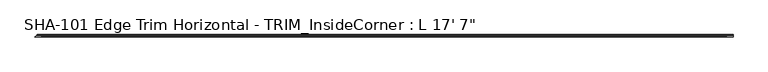
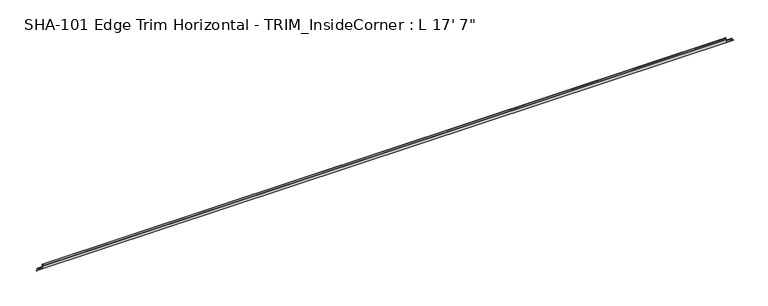
"""IFC4 building model written with IfcOpenShell, lengths in millimetres: proxy geometry."""

from ifc_helpers import new_model, si_unit, frame, origin, place, context, project, spatial, polyline, circle_curve, ellipse_curve, source, transform, mapped, element, save
from ifc_brep_helpers import plane_surface, cylinder_surface, revolved_surface, advanced_brep


def proxy_ee5e0a46(model_context):
    return source(origin(), model_context, "Body", "AdvancedBrep", [
        advanced_brep(
        [(5359.4, -7.0200081, 1.5748), (5359.4, -19.7327081, 1.5748), (5359.4, -19.7327081, 0.0), (5359.4, -0.79375, 0.0), (5359.4, -0.79375, 1.5748), (5359.4, -3.8704081, 1.5748), (5308.6, -19.7327081, 1.5748), (5308.6, -19.7327081, 19.0246), (50.8, -19.7327081, 19.0246), (50.8, -19.7327081, 1.5748), (0.0, -19.7327081, 1.5748), (0.0, -19.7327081, 0.0), (5308.6, -14.3400511, 19.0246), (50.8, -14.3400511, 19.0246), (5308.6, -12.5290774, 29.6006869), (50.8, -12.5290774, 29.6006869), (5308.6, -11.4003846, 30.0600848), (5308.6, -10.2077081, 29.5346031), (50.8, -10.2077081, 29.5346031), (50.8, -11.4003846, 30.0600848), (5308.6, -10.2077081, 17.4498), (50.8, -10.2077081, 17.4498), (5308.6, -16.8879081, 17.4498), (50.8, -16.8879081, 17.4498), (5308.6, -18.1579081, 16.1798), (50.8, -18.1579081, 16.1798), (5308.6, -18.1579081, 1.5748), (50.8, -18.1579081, 1.5748), (12.7127, -7.0200081, 1.5748), (15.8623, -3.8704081, 1.5748), (18.9389581, -0.79375, 1.5748), (18.9389581, -0.79375, 0.0)],
        [
            (0, 1),
            (1, 2),
            (2, 3),
            (3, 4),
            (4, 5),
            (5, 0, circle_curve(frame((5359.4, -5.4452081, 1.5748), z_axis=(1.0, 0.0, 0.0), x_axis=(0.0, -1.0, 0.0)), 1.5748)),
            (1, 6),
            (6, 7),
            (7, 8),
            (8, 9),
            (9, 10),
            (10, 11),
            (11, 2),
            (7, 12),
            (12, 13),
            (13, 8),
            (12, 14),
            (14, 15),
            (15, 13),
            (14, 16, circle_curve(frame((5308.6, -11.4003846, 28.4438454), z_axis=(-1.0, 0.0, 0.0), x_axis=(0.0, -1.0, 0.0)), 1.6162393)),
            (16, 17, circle_curve(frame((5308.6, -11.4003846, 28.4438454), z_axis=(-1.0, 0.0, 0.0), x_axis=(0.0, -1.0, 0.0)), 1.6162393)),
            (17, 18),
            (18, 19, circle_curve(frame((50.8, -11.4003846, 28.4438454), z_axis=(1.0, 0.0, 0.0), x_axis=(0.0, -1.0, 0.0)), 1.6162393)),
            (19, 15, circle_curve(frame((50.8, -11.4003846, 28.4438454), z_axis=(1.0, 0.0, 0.0), x_axis=(0.0, -1.0, 0.0)), 1.6162393)),
            (17, 20),
            (20, 21),
            (21, 18),
            (20, 22),
            (22, 23),
            (23, 21),
            (22, 24, circle_curve(frame((5308.6, -16.8879081, 16.1798), z_axis=(1.0, 0.0, 0.0), x_axis=(0.0, -1.0, 0.0)), 1.27)),
            (24, 25),
            (25, 23, circle_curve(frame((50.8, -16.8879081, 16.1798), z_axis=(-1.0, 0.0, 0.0), x_axis=(0.0, -1.0, 0.0)), 1.27)),
            (24, 26),
            (26, 27),
            (27, 25),
            (0, 28),
            (28, 10),
            (9, 27),
            (26, 6),
            (5, 29),
            (29, 28, ellipse_curve(frame((14.2875, -5.4452081, 1.5748), z_axis=(0.707106781186549, -0.707106781186546, 0.0), x_axis=(0.707106781186546, 0.707106781186549, 0.0)), 2.2271035, 1.5748)),
            (4, 30),
            (30, 29),
            (3, 31),
            (31, 30),
            (11, 31),
        ],
        [
            plane_surface(frame((5359.4, -19.7327081, 19.0246), z_axis=(1.0, 0.0, 0.0), x_axis=(0.0, 0.0, 1.0))),
            plane_surface(frame((5359.4, -19.7327081, 0.0), z_axis=(0.0, -1.0, 0.0), x_axis=(-1.0, 0.0, 0.0))),
            plane_surface(frame((5359.4, -19.7327081, 19.0246), z_axis=(0.0, 0.0, 1.0), x_axis=(-1.0, 0.0, 0.0))),
            plane_surface(frame((5359.4, -14.3400511, 19.0246), z_axis=(0.0, -0.9856543593990696, 0.16877643140441637), x_axis=(-1.0, 0.0, 0.0))),
            cylinder_surface(frame((0.0, -11.4003846, 28.4438454), z_axis=(1.0, 0.0, 0.0), x_axis=(0.0, -1.0, 0.0)), 1.6162393),
            plane_surface(frame((5359.4, -10.2077081, 29.5346031), z_axis=(0.0, 1.0, 0.0), x_axis=(-1.0, 0.0, 0.0))),
            plane_surface(frame((5359.4, -10.2077081, 17.4498), z_axis=(0.0, 0.0, -1.0), x_axis=(-1.0, 0.0, 0.0))),
            revolved_surface(polyline([(50.8, -18.1579081, 16.1798), (5308.6, -18.1579081, 16.1798)]), (0.0, -16.8879081, 16.1798), (-1.0, 0.0, 0.0)),
            plane_surface(frame((5359.4, -18.1579081, 16.1798), z_axis=(0.0, 1.0, 0.0), x_axis=(-1.0, 0.0, 0.0))),
            plane_surface(frame((5359.4, -18.1579081, 1.5748), z_axis=(0.0, 0.0, 1.0), x_axis=(-1.0, 0.0, 0.0))),
            cylinder_surface(frame((0.0, -5.4452081, 1.5748), z_axis=(1.0, 0.0, 0.0), x_axis=(0.0, -1.0, 0.0)), 1.5748),
            plane_surface(frame((5359.4, -3.8704081, 1.5748), z_axis=(0.0, 0.0, 1.0), x_axis=(-1.0, 0.0, 0.0))),
            plane_surface(frame((5359.4, -0.79375, 1.5748), z_axis=(0.0, 1.0, 0.0), x_axis=(-1.0, 0.0, 0.0))),
            plane_surface(frame((5359.4, -0.79375, 0.0), z_axis=(0.0, 0.0, -1.0), x_axis=(-1.0, 0.0, 0.0))),
            plane_surface(frame((5308.6, -10.2077081, 30.0600848), z_axis=(1.0, 0.0, 0.0), x_axis=(0.0, -1.0, 0.0))),
            plane_surface(frame((50.8, -10.2077081, 1.5748), z_axis=(-1.0, 0.0, 0.0), x_axis=(0.0, -1.0, 0.0))),
            plane_surface(frame((19.7327081, 0.0, 66.04), z_axis=(-0.707106781186549, 0.707106781186546, 0.0), x_axis=(0.0, 0.0, -1.0))),
        ],
        [
            (0, [[1, 2, 3, 4, 5, 6]]),
            (1, [[-2, 7, 8, 9, 10, 11, 12, 13]]),
            (2, [[14, 15, 16, -9]]),
            (3, [[17, 18, 19, -15]]),
            (4, [[20, 21, 22, 23, 24, -18]]),
            (5, [[25, 26, 27, -22]]),
            (6, [[28, 29, 30, -26]]),
            (7, [[31, 32, 33, -29]]),
            (8, [[34, 35, 36, -32]]),
            (9, [[-7, -1, 37, 38, -11, 39, -35, 40]]),
            (10, [[41, 42, -37, -6]]),
            (11, [[43, 44, -41, -5]]),
            (12, [[45, 46, -43, -4]]),
            (13, [[-13, 47, -45, -3]]),
            (14, [[-34, -31, -28, -25, -21, -20, -17, -14, -8, -40]]),
            (15, [[-10, -16, -19, -24, -23, -27, -30, -33, -36, -39]]),
            (16, [[-38, -42, -44, -46, -47, -12]]),
        ],
    ),
    ])


if __name__ == "__main__":
    model = new_model("IFC4")
    model_context = context("Model", 3, world=origin())
    ifc_project = project(units=[si_unit("LENGTHUNIT", "METRE", prefix="MILLI")], contexts=[model_context])
    site = spatial("IfcSite", under=ifc_project)
    building = spatial("IfcBuilding", under=site)
    placement = place(None, origin())
    proxy_shape = proxy_ee5e0a46(model_context)
    element("IfcBuildingElementProxy", 1, Name="SHA-101 Edge Trim Horizontal - TRIM_InsideCorner : L 17' 7\"", ObjectType="SHA-101 Edge Trim Horizontal - TRIM_InsideCorner : L 17' 7\"", at=placement, inside=building, context=model_context, shape_type="MappedRepresentation", body=[
        mapped(proxy_shape, transform((0.0, 0.0, 0.0), x_axis=(1.0, 0.0, 0.0), y_axis=(0.0, 1.0, 0.0), z_axis=(0.0, 0.0, 1.0))),
    ])
    save(model, "model.ifc")
